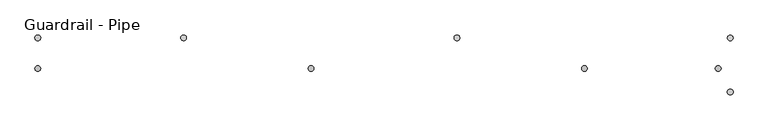
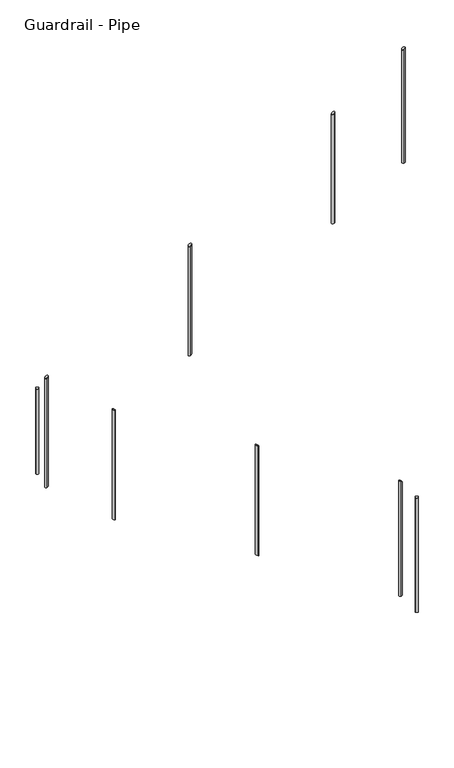
"""IFC4 building model written with IfcOpenShell, lengths in millimetres: railing geometry, Guardrail - Pipe."""

from ifc_helpers import new_model, si_unit, point, frame, frame_2d, origin, place, context, project, spatial, circle_curve, ellipse_curve, trimmed, segment, composite_curve, outline, extrude, source, transform, mapped, element, save
from ifc_brep_helpers import plane_surface, cylinder_surface, advanced_brep


def guardrail_pipe_684f8c35(model_context):
    return source(origin(), model_context, "Body", "SolidModel", [
        advanced_brep(
        [(-11206.6112561, 2649.7404418, 990.2358825), (-11206.6112561, 2624.3404418, 990.2358825), (-11206.6112561, 2624.3404418, 7.9138695), (-11206.6112561, 2649.7404418, 7.9138695)],
        [
            (0, 1, ellipse_curve(frame((-11206.6112561, 2637.0404418, 990.2358825), z_axis=(0.5290079267977382, 0.0, -0.8486168825713751), x_axis=(0.8486168825713752, 0.0, 0.5290079267977379)), 14.9655283, 12.7)),
            (1, 2),
            (2, 3, ellipse_curve(frame((-11206.6112561, 2637.0404418, 7.9138695), z_axis=(-0.5290079267977397, 0.0, 0.8486168825713741), x_axis=(0.8486168825713741, 0.0, 0.5290079267977396)), 14.9655283, 12.7)),
            (3, 0),
            (3, 2, ellipse_curve(frame((-11206.6112561, 2637.0404418, 7.9138695), z_axis=(-0.5290079267977397, 0.0, 0.8486168825713741), x_axis=(0.8486168825713741, 0.0, 0.5290079267977396)), 14.9655283, 12.7)),
            (1, 0, ellipse_curve(frame((-11206.6112561, 2637.0404418, 990.2358825), z_axis=(0.5290079267977382, 0.0, -0.8486168825713751), x_axis=(0.8486168825713752, 0.0, 0.5290079267977379)), 14.9655283, 12.7)),
        ],
        [
            cylinder_surface(frame((-11206.6112561, 2637.0404418, -220.6861305), z_axis=(0.0, 0.0, 1.0), x_axis=(0.0, -1.0, 0.0)), 12.7),
            plane_surface(frame((-11181.2112561, 2611.6404418, 1006.0696488), z_axis=(-0.5290079267977382, 0.0, 0.8486168825713751), x_axis=(0.0, 1.0, 0.0))),
            plane_surface(frame((-11232.0112561, 2611.6404418, -7.9198967), z_axis=(0.5290079267977397, 0.0, -0.8486168825713741), x_axis=(0.0, 1.0, 0.0))),
        ],
        [
            (0, [[1, 2, 3, 4]]),
            (0, [[5, -2, 6, -4]]),
            (1, [[-6, -1]]),
            (2, [[-5, -3]]),
        ],
    ),
        advanced_brep(
        [(-12425.8112561, 2649.7404418, 230.2151033), (-12425.8112561, 2624.3404418, 230.2151033), (-12425.8112561, 2624.3404418, -752.1069097), (-12425.8112561, 2649.7404418, -752.1069097)],
        [
            (0, 1, ellipse_curve(frame((-12425.8112561, 2637.0404418, 230.2151033), z_axis=(0.5290079267977382, 0.0, -0.8486168825713751), x_axis=(0.8486168825713752, 0.0, 0.5290079267977379)), 14.9655283, 12.7)),
            (1, 2),
            (2, 3, ellipse_curve(frame((-12425.8112561, 2637.0404418, -752.1069097), z_axis=(-0.5290079267977397, 0.0, 0.8486168825713741), x_axis=(0.8486168825713741, 0.0, 0.5290079267977396)), 14.9655283, 12.7)),
            (3, 0),
            (3, 2, ellipse_curve(frame((-12425.8112561, 2637.0404418, -752.1069097), z_axis=(-0.5290079267977397, 0.0, 0.8486168825713741), x_axis=(0.8486168825713741, 0.0, 0.5290079267977396)), 14.9655283, 12.7)),
            (1, 0, ellipse_curve(frame((-12425.8112561, 2637.0404418, 230.2151033), z_axis=(0.5290079267977382, 0.0, -0.8486168825713751), x_axis=(0.8486168825713752, 0.0, 0.5290079267977379)), 14.9655283, 12.7)),
        ],
        [
            cylinder_surface(frame((-12425.8112561, 2637.0404418, -980.7069097), z_axis=(0.0, 0.0, 1.0), x_axis=(0.0, -1.0, 0.0)), 12.7),
            plane_surface(frame((-12400.4112561, 2611.6404418, 246.0488695), z_axis=(-0.5290079267977382, 0.0, 0.8486168825713751), x_axis=(0.0, 1.0, 0.0))),
            plane_surface(frame((-12451.2112561, 2611.6404418, -767.940676), z_axis=(0.5290079267977397, 0.0, -0.8486168825713741), x_axis=(0.0, 1.0, 0.0))),
        ],
        [
            (0, [[1, 2, 3, 4]]),
            (0, [[5, -2, 6, -4]]),
            (1, [[-6, -1]]),
            (2, [[-5, -3]]),
        ],
    ),
        advanced_brep(
        [(-12994.2564309, 2761.5151259, -1134.3215221), (-12994.2564309, 2786.9151259, -1134.3215221), (-12994.2564309, 2786.9151259, -2117.799865), (-12994.2564309, 2761.5151259, -2117.799865)],
        [
            (0, 1, ellipse_curve(frame((-12994.2564309, 2774.2151259, -1134.3215221), z_axis=(-0.522831760284768, 0.0, -0.8524358922743287), x_axis=(-0.8524358922743287, 0.0, 0.522831760284768)), 14.8984811, 12.7)),
            (1, 2),
            (2, 3, ellipse_curve(frame((-12994.2564309, 2774.2151259, -2117.799865), z_axis=(0.5228317602847701, 0.0, 0.8524358922743275), x_axis=(-0.8524358922743275, 0.0, 0.5228317602847699)), 14.8984811, 12.7)),
            (3, 0),
            (3, 2, ellipse_curve(frame((-12994.2564309, 2774.2151259, -2117.799865), z_axis=(0.5228317602847701, 0.0, 0.8524358922743275), x_axis=(-0.8524358922743275, 0.0, 0.5228317602847699)), 14.8984811, 12.7)),
            (1, 0, ellipse_curve(frame((-12994.2564309, 2774.2151259, -1134.3215221), z_axis=(-0.522831760284768, 0.0, -0.8524358922743287), x_axis=(-0.8524358922743287, 0.0, 0.522831760284768)), 14.8984811, 12.7)),
        ],
        [
            cylinder_surface(frame((-12994.2564309, 2774.2151259, -2346.399865), z_axis=(0.0, 0.0, 1.0), x_axis=(0.0, 1.0, 0.0)), 12.7),
            plane_surface(frame((-13019.6564309, 2799.6151259, -1118.742724), z_axis=(0.522831760284768, 0.0, 0.8524358922743287), x_axis=(0.0, -1.0, 0.0))),
            plane_surface(frame((-12968.8564309, 2799.6151259, -2133.3786631), z_axis=(-0.5228317602847701, 0.0, -0.8524358922743275), x_axis=(0.0, -1.0, 0.0))),
        ],
        [
            (0, [[1, 2, 3, 4]]),
            (0, [[5, -2, 6, -4]]),
            (1, [[-6, -1]]),
            (2, [[-5, -3]]),
        ],
    ),
        advanced_brep(
        [(-11775.0564309, 2761.5151259, -1882.1038339), (-11775.0564309, 2786.9151259, -1882.1038339), (-11775.0564309, 2786.9151259, -2865.5821767), (-11775.0564309, 2761.5151259, -2865.5821767)],
        [
            (0, 1, ellipse_curve(frame((-11775.0564309, 2774.2151259, -1882.1038339), z_axis=(-0.522831760284768, 0.0, -0.8524358922743287), x_axis=(-0.8524358922743287, 0.0, 0.522831760284768)), 14.8984811, 12.7)),
            (1, 2),
            (2, 3, ellipse_curve(frame((-11775.0564309, 2774.2151259, -2865.5821767), z_axis=(0.5228317602847701, 0.0, 0.8524358922743275), x_axis=(-0.8524358922743275, 0.0, 0.5228317602847699)), 14.8984811, 12.7)),
            (3, 0),
            (3, 2, ellipse_curve(frame((-11775.0564309, 2774.2151259, -2865.5821767), z_axis=(0.5228317602847701, 0.0, 0.8524358922743275), x_axis=(-0.8524358922743275, 0.0, 0.5228317602847699)), 14.8984811, 12.7)),
            (1, 0, ellipse_curve(frame((-11775.0564309, 2774.2151259, -1882.1038339), z_axis=(-0.522831760284768, 0.0, -0.8524358922743287), x_axis=(-0.8524358922743287, 0.0, 0.522831760284768)), 14.8984811, 12.7)),
        ],
        [
            cylinder_surface(frame((-11775.0564309, 2774.2151259, -3094.1821767), z_axis=(0.0, 0.0, 1.0), x_axis=(0.0, 1.0, 0.0)), 12.7),
            plane_surface(frame((-11800.4564309, 2799.6151259, -1866.5250357), z_axis=(0.522831760284768, 0.0, 0.8524358922743287), x_axis=(0.0, -1.0, 0.0))),
            plane_surface(frame((-11749.6564309, 2799.6151259, -2881.1609749), z_axis=(-0.5228317602847701, 0.0, -0.8524358922743275), x_axis=(0.0, -1.0, 0.0))),
        ],
        [
            (0, [[1, 2, 3, 4]]),
            (0, [[5, -2, 6, -4]]),
            (1, [[-6, -1]]),
            (2, [[-5, -3]]),
        ],
    ),
        advanced_brep(
        [(-13645.0112561, 2649.7404418, -529.8056759), (-13645.0112561, 2624.3404418, -529.8056759), (-13645.0112561, 2624.3404418, -1512.1276889), (-13645.0112561, 2649.7404418, -1512.1276889)],
        [
            (0, 1, ellipse_curve(frame((-13645.0112561, 2637.0404418, -529.8056759), z_axis=(0.5290079267977382, 0.0, -0.8486168825713751), x_axis=(0.8486168825713752, 0.0, 0.5290079267977379)), 14.9655283, 12.7)),
            (1, 2),
            (2, 3, ellipse_curve(frame((-13645.0112561, 2637.0404418, -1512.1276889), z_axis=(-0.5290079267977397, 0.0, 0.8486168825713741), x_axis=(0.8486168825713741, 0.0, 0.5290079267977396)), 14.9655283, 12.7)),
            (3, 0),
            (3, 2, ellipse_curve(frame((-13645.0112561, 2637.0404418, -1512.1276889), z_axis=(-0.5290079267977397, 0.0, 0.8486168825713741), x_axis=(0.8486168825713741, 0.0, 0.5290079267977396)), 14.9655283, 12.7)),
            (1, 0, ellipse_curve(frame((-13645.0112561, 2637.0404418, -529.8056759), z_axis=(0.5290079267977382, 0.0, -0.8486168825713751), x_axis=(0.8486168825713752, 0.0, 0.5290079267977379)), 14.9655283, 12.7)),
        ],
        [
            cylinder_surface(frame((-13645.0112561, 2637.0404418, -1740.7276889), z_axis=(0.0, 0.0, 1.0), x_axis=(0.0, -1.0, 0.0)), 12.7),
            plane_surface(frame((-13619.6112561, 2611.6404418, -513.9719097), z_axis=(-0.5290079267977382, 0.0, 0.8486168825713751), x_axis=(0.0, 1.0, 0.0))),
            plane_surface(frame((-13670.4112561, 2611.6404418, -1527.9614552), z_axis=(0.5290079267977397, 0.0, -0.8486168825713741), x_axis=(0.0, 1.0, 0.0))),
        ],
        [
            (0, [[1, 2, 3, 4]]),
            (0, [[5, -2, 6, -4]]),
            (1, [[-6, -1]]),
            (2, [[-5, -3]]),
        ],
    ),
        extrude(outline(composite_curve([segment(trimmed(circle_curve(frame_2d((-13645.0112561, 2774.2151259)), 12.7), [point((-13657.7112561, 2774.2151259))], [point((-13632.3112561, 2774.2151259))], False, "CARTESIAN"), True, "CONTINUOUS"), segment(trimmed(circle_curve(frame_2d((-13645.0112561, 2774.2151259)), 12.7), [point((-13632.3112561, 2774.2151259))], [point((-13657.7112561, 2774.2151259))], False, "CARTESIAN"), True, "CONTINUOUS")], self_intersect=False)), frame((0.0, 0.0, -1478.88292), z_axis=(0.0, 0.0, 1.0), x_axis=(1.0, 0.0, 0.0)), (0.0, 0.0, 1.0), 765.8686343),
        advanced_brep(
        [(-10555.8564309, 2761.5151259, -2629.8861456), (-10555.8564309, 2786.9151259, -2629.8861456), (-10555.8564309, 2786.9151259, -3657.6), (-10555.8564309, 2761.5151259, -3657.6)],
        [
            (0, 1, ellipse_curve(frame((-10555.8564309, 2774.2151259, -2629.8861456), z_axis=(-0.522831760284768, 0.0, -0.8524358922743287), x_axis=(-0.8524358922743287, 0.0, 0.522831760284768)), 14.8984811, 12.7)),
            (1, 2),
            (2, 3, circle_curve(frame((-10555.8564309, 2774.2151259, -3657.6), z_axis=(0.0, 0.0, 1.0), x_axis=(0.0, 1.0, 0.0)), 12.7)),
            (3, 0),
            (3, 2, circle_curve(frame((-10555.8564309, 2774.2151259, -3657.6), z_axis=(0.0, 0.0, 1.0), x_axis=(0.0, 1.0, 0.0)), 12.7)),
            (1, 0, ellipse_curve(frame((-10555.8564309, 2774.2151259, -2629.8861456), z_axis=(-0.522831760284768, 0.0, -0.8524358922743287), x_axis=(-0.8524358922743287, 0.0, 0.522831760284768)), 14.8984811, 12.7)),
        ],
        [
            cylinder_surface(frame((-10555.8564309, 2774.2151259, -3886.2), z_axis=(0.0, 0.0, 1.0), x_axis=(0.0, 1.0, 0.0)), 12.7),
            plane_surface(frame((-10581.2564309, 2799.6151259, -2614.3073474), z_axis=(0.522831760284768, 0.0, 0.8524358922743287), x_axis=(0.0, -1.0, 0.0))),
            plane_surface(frame((-10530.4564309, 2799.6151259, -3657.6), z_axis=(0.0, 0.0, -1.0), x_axis=(0.0, -1.0, 0.0))),
        ],
        [
            (0, [[1, 2, 3, 4]]),
            (0, [[5, -2, 6, -4]]),
            (1, [[-6, -1]]),
            (2, [[-5, -3]]),
        ],
    ),
        advanced_brep(
        [(-10609.7112561, 2649.7404418, 1362.329389), (-10609.7112561, 2624.3404418, 1362.329389), (-10609.7112561, 2624.3404418, 340.425974), (-10609.7112561, 2649.7404418, 340.425974)],
        [
            (0, 1, ellipse_curve(frame((-10609.7112561, 2637.0404418, 1362.329389), z_axis=(0.5290079267977366, 0.0, -0.8486168825713761), x_axis=(0.8486168825713762, 0.0, 0.5290079267977363)), 14.9655283, 12.7)),
            (1, 2),
            (2, 3, circle_curve(frame((-10609.7112561, 2637.0404418, 340.425974), z_axis=(0.0, 0.0, 1.0), x_axis=(0.0, -1.0, 0.0)), 12.7)),
            (3, 0),
            (3, 2, circle_curve(frame((-10609.7112561, 2637.0404418, 340.425974), z_axis=(0.0, 0.0, 1.0), x_axis=(0.0, -1.0, 0.0)), 12.7)),
            (1, 0, ellipse_curve(frame((-10609.7112561, 2637.0404418, 1362.329389), z_axis=(0.5290079267977366, 0.0, -0.8486168825713761), x_axis=(0.8486168825713762, 0.0, 0.5290079267977363)), 14.9655283, 12.7)),
        ],
        [
            cylinder_surface(frame((-10609.7112561, 2637.0404418, 111.825974), z_axis=(0.0, 0.0, 1.0), x_axis=(0.0, -1.0, 0.0)), 12.7),
            plane_surface(frame((-10584.3112561, 2611.6404418, 1378.1631553), z_axis=(-0.5290079267977366, 0.0, 0.8486168825713761), x_axis=(0.0, 1.0, 0.0))),
            plane_surface(frame((-10635.1112561, 2611.6404418, 340.425974), z_axis=(0.0, 0.0, -1.0), x_axis=(0.0, 1.0, 0.0))),
        ],
        [
            (0, [[1, 2, 3, 4]]),
            (0, [[5, -2, 6, -4]]),
            (1, [[-6, -1]]),
            (2, [[-5, -3]]),
        ],
    ),
        extrude(outline(composite_curve([segment(trimmed(circle_curve(frame_2d((-10555.8564309, 2532.9151259)), 12.7), [point((-10543.1564309, 2532.9151259))], [point((-10568.5564309, 2532.9151259))], False, "CARTESIAN"), True, "CONTINUOUS"), segment(trimmed(circle_curve(frame_2d((-10555.8564309, 2532.9151259)), 12.7), [point((-10568.5564309, 2532.9151259))], [point((-10543.1564309, 2532.9151259))], False, "CARTESIAN"), True, "CONTINUOUS")], self_intersect=False)), frame((0.0, 0.0, -3657.6), z_axis=(0.0, 0.0, 1.0), x_axis=(1.0, 0.0, 0.0)), (0.0, 0.0, 1.0), 1028.7),
    ])


if __name__ == "__main__":
    model = new_model("IFC4")
    model_context = context("Model", 3, world=origin())
    ifc_project = project(units=[si_unit("LENGTHUNIT", "METRE", prefix="MILLI")], contexts=[model_context])
    site = spatial("IfcSite", under=ifc_project)
    building = spatial("IfcBuilding", under=site)
    placement = place(None, origin())
    guardrail_pipe_shape = guardrail_pipe_684f8c35(model_context)
    element("IfcRailing", 1, ObjectType="Guardrail - Pipe", at=placement, inside=building, context=model_context, shape_type="MappedRepresentation", body=[
        mapped(guardrail_pipe_shape, transform((0.0, 0.0, 0.0), x_axis=(1.0, 0.0, 0.0), y_axis=(0.0, 1.0, 0.0), z_axis=(0.0, 0.0, 1.0))),
    ])
    save(model, "model.ifc")
